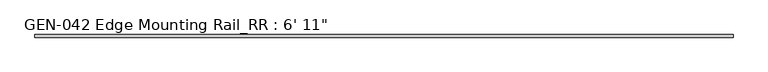
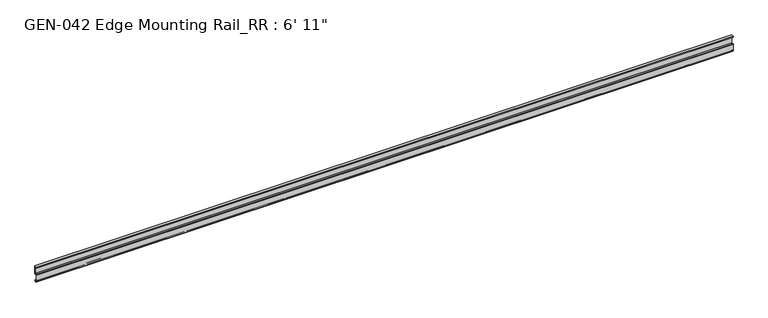
"""IFC4 building model written with IfcOpenShell, lengths in millimetres: proxy geometry."""

from ifc_helpers import new_model, si_unit, point, frame, frame_2d, origin, place, context, project, spatial, polyline, circle_curve, trimmed, segment, composite_curve, outline, extrude, source, transform, mapped, element, save


def proxy_81c338ac(model_context):
    return source(origin(), model_context, "Body", "SweptSolid", [
        extrude(outline(composite_curve([segment(polyline([(-13.6400687, -32.1158903), (-15.4750158, -32.6885982)]), True, "CONTINUOUS"), segment(trimmed(circle_curve(frame_2d((-15.6853088, -32.2686835)), 0.4696291), [point((-15.4750158, -32.6885982))], [point((-16.1549378, -32.2686835))], False, "CARTESIAN"), True, "CONTINUOUS"), segment(polyline([(-16.1549378, -32.2686835), (-16.1549378, -30.7270734)]), True, "CONTINUOUS"), segment(trimmed(circle_curve(frame_2d((-17.7424378, -30.7270734)), 1.5875), [point((-16.1549378, -30.7270734))], [point((-17.7424378, -29.1395734))], True, "CARTESIAN"), True, "CONTINUOUS"), segment(polyline([(-17.7424378, -29.1395734), (-19.05, -29.1395734), (-19.05, -8.5020734)]), True, "CONTINUOUS"), segment(trimmed(circle_curve(frame_2d((-17.4625, -8.5020734)), 1.5875), [point((-19.05, -8.5020734))], [point((-17.4625, -6.9145734))], False, "CARTESIAN"), True, "CONTINUOUS"), segment(polyline([(-17.4625, -6.9145734), (-12.7, -6.9145734), (-12.7, 15.2917515), (-17.4625, 15.2917515), (-17.4625, 13.7042515), (-19.05, 13.7042515), (-19.05, 16.8792515), (-11.1125, 16.8792515), (-11.1125, -8.5248329), (-15.875, -8.5248329)]), True, "CONTINUOUS"), segment(trimmed(circle_curve(frame_2d((-15.875, -10.1123329)), 1.5875), [point((-15.875, -8.5248329))], [point((-17.4625, -10.1123329))], True, "CARTESIAN"), True, "CONTINUOUS"), segment(polyline([(-17.4625, -10.1123329), (-17.4625, -12.4909614), (-17.9716639, -13.408381), (-17.9716639, -14.7485418), (-17.4625, -15.6659614), (-17.4625, -26.8535734)]), True, "CONTINUOUS"), segment(trimmed(circle_curve(frame_2d((-16.9545, -26.8535734)), 0.508), [point((-17.4625, -26.8535734))], [point((-16.9376166, -27.3612928))], True, "CARTESIAN"), True, "CONTINUOUS"), segment(trimmed(circle_curve(frame_2d((-16.9169378, -26.5995734)), 0.762), [point((-16.9376166, -27.3612928))], [point((-16.1779173, -26.4138515))], True, "CARTESIAN"), True, "CONTINUOUS"), segment(trimmed(circle_curve(frame_2d((-15.6245238, -26.2747792)), 0.5706009), [point((-16.1779173, -26.4138515))], [point((-15.4364113, -25.7360779))], False, "CARTESIAN"), True, "CONTINUOUS"), segment(polyline([(-15.4364113, -25.7360779), (-13.6400687, -26.2967369)]), True, "CONTINUOUS"), segment(trimmed(circle_curve(frame_2d((-14.5481808, -29.2063136)), 3.048), [point((-13.6400687, -26.2967369))], [point((-11.9462301, -30.7938136))], False, "CARTESIAN"), True, "CONTINUOUS"), segment(trimmed(circle_curve(frame_2d((-14.5481808, -29.2063136)), 3.048), [point((-11.9462301, -30.7938136))], [point((-13.6400687, -32.1158903))], False, "CARTESIAN"), True, "CONTINUOUS")], self_intersect=False)), frame((-1803.4, 0.0, 0.0), z_axis=(1.0, 0.0, 0.0), x_axis=(0.0, 1.0, 0.0)), (0.0, 0.0, 1.0), 2108.2),
    ])


if __name__ == "__main__":
    model = new_model("IFC4")
    model_context = context("Model", 3, world=origin())
    ifc_project = project(units=[si_unit("LENGTHUNIT", "METRE", prefix="MILLI")], contexts=[model_context])
    site = spatial("IfcSite", under=ifc_project)
    building = spatial("IfcBuilding", under=site)
    placement = place(None, origin())
    proxy_shape = proxy_81c338ac(model_context)
    element("IfcBuildingElementProxy", 1, Name="GEN-042 Edge Mounting Rail_RR : 6' 11\"", ObjectType="GEN-042 Edge Mounting Rail_RR : 6' 11\"", at=placement, inside=building, context=model_context, shape_type="MappedRepresentation", body=[
        mapped(proxy_shape, transform((0.0, 0.0, 0.0), x_axis=(1.0, 0.0, 0.0), y_axis=(0.0, 1.0, 0.0), z_axis=(0.0, 0.0, 1.0))),
    ])
    save(model, "model.ifc")
